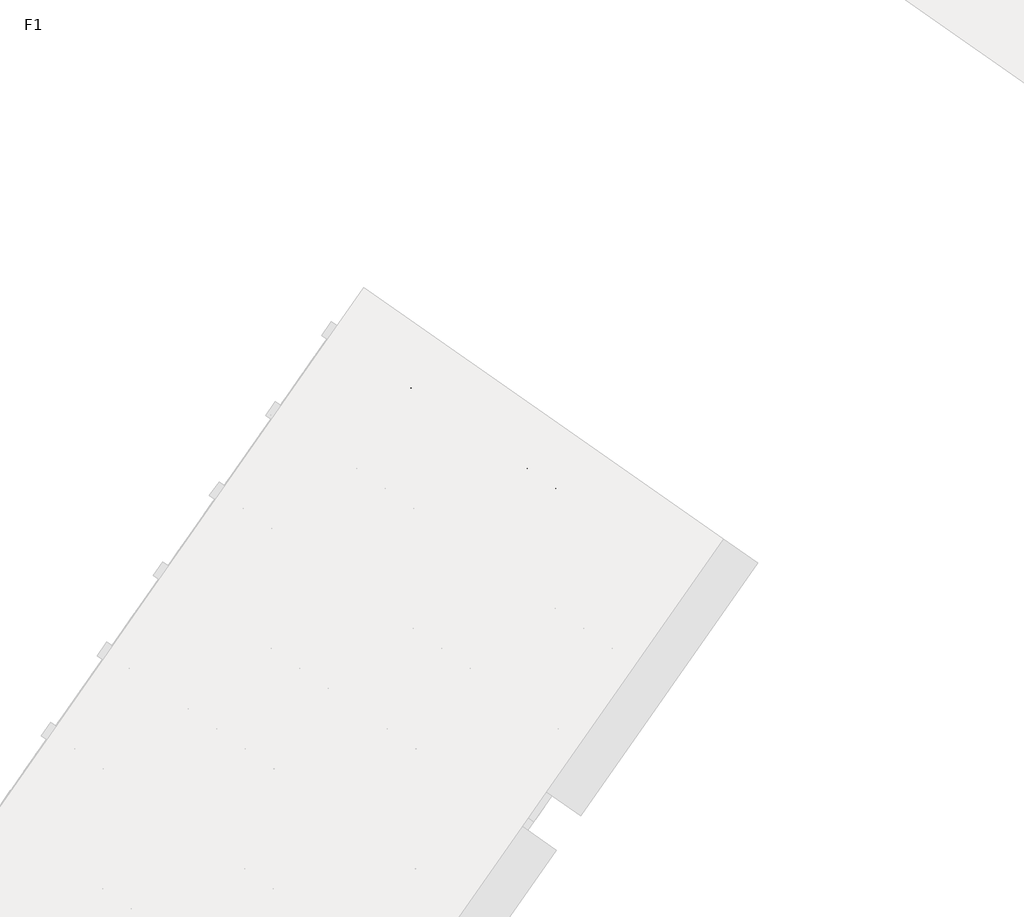
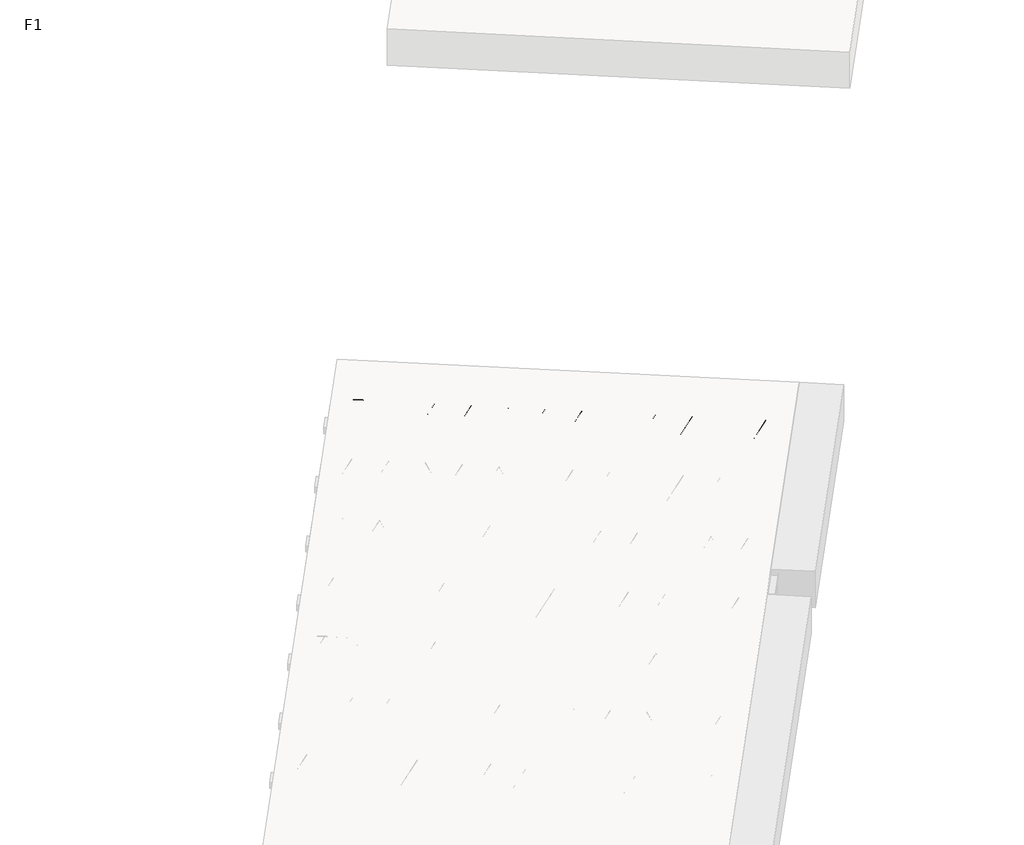
# One storey, part 17 of 30: 1 beam.
"""IFC4 building model written with IfcOpenShell, lengths in millimetres."""

from ifc_helpers import new_model, si_unit, point, frame, origin, origin_2d, place, context, project, spatial, circle_curve, trimmed, segment, composite_curve, outline, extrude, element, save

model = new_model("IFC4")

# Units and contexts
model_context = context("Model", 3, world=origin())
ifc_project = project(units=[si_unit("LENGTHUNIT", "METRE", prefix="MILLI")], contexts=[model_context])

# Site, building, storey
site = spatial("IfcSite", under=ifc_project)
building = spatial("IfcBuilding", under=site)
storey = spatial("IfcBuildingStorey", under=building, Name="F1", Elevation=99520.0)

# Beam
placement = place(None, origin())
element("IfcBeam", 1, at=placement, inside=storey, context=model_context, shape_type="SweptSolid", body=[
    extrude(outline(composite_curve([segment(trimmed(circle_curve(origin_2d(), 2.5), [point((-2.5, 0.0))], [point((2.5, 0.0))], False, "CARTESIAN"), True, "CONTINUOUS"), segment(trimmed(circle_curve(origin_2d(), 2.5), [point((2.5, 0.0))], [point((-2.5, 0.0))], False, "CARTESIAN"), True, "CONTINUOUS")], self_intersect=False)), frame((10281.1914907, -1077.6594907, 99745.0), z_axis=(-0.8191520442696126, 0.5735764363787226, 0.0), x_axis=(0.5735764363787226, 0.8191520442696126, 0.0)), (0.0, 0.0, 1.0), 3192.0),
    extrude(outline(composite_curve([segment(trimmed(circle_curve(origin_2d(), 2.5), [point((-2.5, 0.0))], [point((2.5, 0.0))], False, "CARTESIAN"), True, "CONTINUOUS"), segment(trimmed(circle_curve(origin_2d(), 2.5), [point((2.5, 0.0))], [point((-2.5, 0.0))], False, "CARTESIAN"), True, "CONTINUOUS")], self_intersect=False)), frame((10161.7652428, -950.0884465, 99970.0), z_axis=(-0.8191520442696126, 0.5735764363787226, 0.0), x_axis=(0.5735764363787226, 0.8191520442696126, 0.0)), (0.0, 0.0, 1.0), 2850.0),
    extrude(outline(composite_curve([segment(trimmed(circle_curve(origin_2d(), 2.5), [point((-2.5, 0.0))], [point((2.5, 0.0))], False, "CARTESIAN"), True, "CONTINUOUS"), segment(trimmed(circle_curve(origin_2d(), 2.5), [point((2.5, 0.0))], [point((-2.5, 0.0))], False, "CARTESIAN"), True, "CONTINUOUS")], self_intersect=False)), frame((10202.5528944, -1022.5961528, 99745.0), z_axis=(-0.3145304735701046, 0.38933448886848654, 0.8657304643902053), x_axis=(0.7778747638402499, 0.6284193279813057, 0.0)), (0.0, 0.0, 1.0), 259.8961331),
    extrude(outline(composite_curve([segment(trimmed(circle_curve(origin_2d(), 2.5), [point((2.5, -1e-07))], [point((-2.5, 0.0))], False, "CARTESIAN"), True, "CONTINUOUS"), segment(trimmed(circle_curve(origin_2d(), 2.5), [point((-2.5, 0.0))], [point((2.5, -1e-07))], False, "CARTESIAN"), True, "CONTINUOUS")], self_intersect=False)), frame((9997.7648834, -879.2020437, 99745.0), z_axis=(0.47343050384693375, -0.16240172737369005, 0.8657304643902051), x_axis=(-0.3244721671091268, -0.9458952440791246, 0.0)), (0.0, 0.0, 1.0), 259.8961331),
    extrude(outline(composite_curve([segment(trimmed(circle_curve(origin_2d(), 2.5), [point((-2.5, -1e-07))], [point((2.5, 0.0))], False, "CARTESIAN"), True, "CONTINUOUS"), segment(trimmed(circle_curve(origin_2d(), 2.5), [point((2.5, 0.0))], [point((-2.5, -1e-07))], False, "CARTESIAN"), True, "CONTINUOUS")], self_intersect=False)), frame((9997.7648834, -879.2020437, 99745.0), z_axis=(-0.3145304735701046, 0.38933448886848654, 0.8657304643902053), x_axis=(0.7778747638402499, 0.6284193279813057, 0.0)), (0.0, 0.0, 1.0), 259.8961331),
    extrude(outline(composite_curve([segment(trimmed(circle_curve(origin_2d(), 2.5), [point((2.5, 0.0))], [point((-2.5, 0.0))], False, "CARTESIAN"), True, "CONTINUOUS"), segment(trimmed(circle_curve(origin_2d(), 2.5), [point((-2.5, 0.0))], [point((2.5, 0.0))], False, "CARTESIAN"), True, "CONTINUOUS")], self_intersect=False)), frame((9792.9768723, -735.8079346, 99745.0), z_axis=(0.47343050384693375, -0.16240172737369005, 0.8657304643902051), x_axis=(-0.3244721671091268, -0.9458952440791246, 0.0)), (0.0, 0.0, 1.0), 259.8961331),
    extrude(outline(composite_curve([segment(trimmed(circle_curve(origin_2d(), 2.5), [point((-2.5, -1e-07))], [point((2.5, 0.0))], False, "CARTESIAN"), True, "CONTINUOUS"), segment(trimmed(circle_curve(origin_2d(), 2.5), [point((2.5, 0.0))], [point((-2.5, -1e-07))], False, "CARTESIAN"), True, "CONTINUOUS")], self_intersect=False)), frame((9792.9768723, -735.8079346, 99745.0), z_axis=(-0.3145304735701046, 0.38933448886848654, 0.8657304643902053), x_axis=(0.7778747638402499, 0.6284193279813057, 0.0)), (0.0, 0.0, 1.0), 259.8961331),
    extrude(outline(composite_curve([segment(trimmed(circle_curve(origin_2d(), 2.5), [point((2.5000001, 0.0))], [point((-2.5, 0.0))], False, "CARTESIAN"), True, "CONTINUOUS"), segment(trimmed(circle_curve(origin_2d(), 2.5), [point((-2.5, 0.0))], [point((2.5000001, 0.0))], False, "CARTESIAN"), True, "CONTINUOUS")], self_intersect=False)), frame((9588.1888612, -592.4138255, 99745.0), z_axis=(0.47343050384693375, -0.16240172737369005, 0.8657304643902051), x_axis=(-0.3244721671091268, -0.9458952440791246, 0.0)), (0.0, 0.0, 1.0), 259.8961331),
    extrude(outline(composite_curve([segment(trimmed(circle_curve(origin_2d(), 2.5), [point((-2.5, -1e-07))], [point((2.5, 0.0))], False, "CARTESIAN"), True, "CONTINUOUS"), segment(trimmed(circle_curve(origin_2d(), 2.5), [point((2.5, 0.0))], [point((-2.5, -1e-07))], False, "CARTESIAN"), True, "CONTINUOUS")], self_intersect=False)), frame((9588.1888612, -592.4138255, 99745.0), z_axis=(-0.3145304735701046, 0.38933448886848654, 0.8657304643902053), x_axis=(0.7778747638402499, 0.6284193279813057, 0.0)), (0.0, 0.0, 1.0), 259.8961331),
    extrude(outline(composite_curve([segment(trimmed(circle_curve(origin_2d(), 2.5), [point((2.5000001, 0.0))], [point((-2.5, 0.0))], False, "CARTESIAN"), True, "CONTINUOUS"), segment(trimmed(circle_curve(origin_2d(), 2.5), [point((-2.5, 0.0))], [point((2.5000001, 0.0))], False, "CARTESIAN"), True, "CONTINUOUS")], self_intersect=False)), frame((9383.4008502, -449.0197164, 99745.0), z_axis=(0.47343050384693375, -0.16240172737369005, 0.8657304643902051), x_axis=(-0.3244721671091268, -0.9458952440791246, 0.0)), (0.0, 0.0, 1.0), 259.8961331),
    extrude(outline(composite_curve([segment(trimmed(circle_curve(origin_2d(), 2.5), [point((-2.5, -1e-07))], [point((2.5, 0.0))], False, "CARTESIAN"), True, "CONTINUOUS"), segment(trimmed(circle_curve(origin_2d(), 2.5), [point((2.5, 0.0))], [point((-2.5, -1e-07))], False, "CARTESIAN"), True, "CONTINUOUS")], self_intersect=False)), frame((9383.4008502, -449.0197164, 99745.0), z_axis=(-0.3145304735701046, 0.38933448886848654, 0.8657304643902053), x_axis=(0.7778747638402499, 0.6284193279813057, 0.0)), (0.0, 0.0, 1.0), 259.8961331),
    extrude(outline(composite_curve([segment(trimmed(circle_curve(origin_2d(), 2.5), [point((2.5, 0.0))], [point((-2.5000001, 0.0))], False, "CARTESIAN"), True, "CONTINUOUS"), segment(trimmed(circle_curve(origin_2d(), 2.5), [point((-2.5000001, 0.0))], [point((2.5, 0.0))], False, "CARTESIAN"), True, "CONTINUOUS")], self_intersect=False)), frame((9178.6128391, -305.6256074, 99745.0), z_axis=(0.47343050384693375, -0.16240172737369005, 0.8657304643902051), x_axis=(-0.3244721671091268, -0.9458952440791246, 0.0)), (0.0, 0.0, 1.0), 259.8961331),
    extrude(outline(composite_curve([segment(trimmed(circle_curve(origin_2d(), 2.5), [point((-2.5, 0.0))], [point((2.5, 1e-07))], False, "CARTESIAN"), True, "CONTINUOUS"), segment(trimmed(circle_curve(origin_2d(), 2.5), [point((2.5, 1e-07))], [point((-2.5, 0.0))], False, "CARTESIAN"), True, "CONTINUOUS")], self_intersect=False)), frame((9178.6128391, -305.6256074, 99745.0), z_axis=(-0.3145304735701046, 0.38933448886848654, 0.8657304643902053), x_axis=(0.7778747638402499, 0.6284193279813057, 0.0)), (0.0, 0.0, 1.0), 259.8961331),
    extrude(outline(composite_curve([segment(trimmed(circle_curve(origin_2d(), 2.5), [point((2.5, 0.0))], [point((-2.5000001, 0.0))], False, "CARTESIAN"), True, "CONTINUOUS"), segment(trimmed(circle_curve(origin_2d(), 2.5), [point((-2.5000001, 0.0))], [point((2.5, 0.0))], False, "CARTESIAN"), True, "CONTINUOUS")], self_intersect=False)), frame((8973.824828, -162.2314983, 99745.0), z_axis=(0.47343050384693375, -0.16240172737369005, 0.8657304643902051), x_axis=(-0.3244721671091268, -0.9458952440791246, 0.0)), (0.0, 0.0, 1.0), 259.8961331),
    extrude(outline(composite_curve([segment(trimmed(circle_curve(origin_2d(), 2.5), [point((-2.5, 0.0))], [point((2.5, 1e-07))], False, "CARTESIAN"), True, "CONTINUOUS"), segment(trimmed(circle_curve(origin_2d(), 2.5), [point((2.5, 1e-07))], [point((-2.5, 0.0))], False, "CARTESIAN"), True, "CONTINUOUS")], self_intersect=False)), frame((8973.824828, -162.2314983, 99745.0), z_axis=(-0.3145304735701046, 0.38933448886848654, 0.8657304643902053), x_axis=(0.7778747638402499, 0.6284193279813057, 0.0)), (0.0, 0.0, 1.0), 259.8961331),
    extrude(outline(composite_curve([segment(trimmed(circle_curve(origin_2d(), 2.5), [point((2.5, -1e-07))], [point((-2.5, 0.0))], False, "CARTESIAN"), True, "CONTINUOUS"), segment(trimmed(circle_curve(origin_2d(), 2.5), [point((-2.5, 0.0))], [point((2.5, -1e-07))], False, "CARTESIAN"), True, "CONTINUOUS")], self_intersect=False)), frame((8769.036817, -18.8373892, 99745.0), z_axis=(0.47343050384693375, -0.16240172737369005, 0.8657304643902051), x_axis=(-0.3244721671091268, -0.9458952440791246, 0.0)), (0.0, 0.0, 1.0), 259.8961331),
    extrude(outline(composite_curve([segment(trimmed(circle_curve(origin_2d(), 2.5), [point((-2.5, 0.0))], [point((2.5, 1e-07))], False, "CARTESIAN"), True, "CONTINUOUS"), segment(trimmed(circle_curve(origin_2d(), 2.5), [point((2.5, 1e-07))], [point((-2.5, 0.0))], False, "CARTESIAN"), True, "CONTINUOUS")], self_intersect=False)), frame((8769.036817, -18.8373892, 99745.0), z_axis=(-0.3145304735701046, 0.38933448886848654, 0.8657304643902053), x_axis=(0.7778747638402499, 0.6284193279813057, 0.0)), (0.0, 0.0, 1.0), 259.8961331),
    extrude(outline(composite_curve([segment(trimmed(circle_curve(origin_2d(), 2.5), [point((2.5, 0.0))], [point((-2.5, 0.0))], False, "CARTESIAN"), True, "CONTINUOUS"), segment(trimmed(circle_curve(origin_2d(), 2.5), [point((-2.5, 0.0))], [point((2.5, 0.0))], False, "CARTESIAN"), True, "CONTINUOUS")], self_intersect=False)), frame((8564.2488059, 124.5567199, 99745.0), z_axis=(0.47343050384693375, -0.16240172737369005, 0.8657304643902051), x_axis=(-0.3244721671091268, -0.9458952440791246, 0.0)), (0.0, 0.0, 1.0), 259.8961331),
    extrude(outline(composite_curve([segment(trimmed(circle_curve(origin_2d(), 2.5), [point((-2.5, 0.0))], [point((2.5, 1e-07))], False, "CARTESIAN"), True, "CONTINUOUS"), segment(trimmed(circle_curve(origin_2d(), 2.5), [point((2.5, 1e-07))], [point((-2.5, 0.0))], False, "CARTESIAN"), True, "CONTINUOUS")], self_intersect=False)), frame((8564.2488059, 124.5567199, 99745.0), z_axis=(-0.3145304735701046, 0.38933448886848654, 0.8657304643902053), x_axis=(0.7778747638402499, 0.6284193279813057, 0.0)), (0.0, 0.0, 1.0), 259.8961331),
    extrude(outline(composite_curve([segment(trimmed(circle_curve(origin_2d(), 2.5), [point((2.5, 0.0))], [point((-2.5, 0.0))], False, "CARTESIAN"), True, "CONTINUOUS"), segment(trimmed(circle_curve(origin_2d(), 2.5), [point((-2.5, 0.0))], [point((2.5, 0.0))], False, "CARTESIAN"), True, "CONTINUOUS")], self_intersect=False)), frame((8359.4607948, 267.950829, 99745.0), z_axis=(0.47343050384693375, -0.16240172737369005, 0.8657304643902051), x_axis=(-0.3244721671091268, -0.9458952440791246, 0.0)), (0.0, 0.0, 1.0), 259.8961331),
    extrude(outline(composite_curve([segment(trimmed(circle_curve(origin_2d(), 2.5), [point((-2.5, 0.0))], [point((2.5, 0.0))], False, "CARTESIAN"), True, "CONTINUOUS"), segment(trimmed(circle_curve(origin_2d(), 2.5), [point((2.5, 0.0))], [point((-2.5, 0.0))], False, "CARTESIAN"), True, "CONTINUOUS")], self_intersect=False)), frame((8359.4607948, 267.950829, 99745.0), z_axis=(-0.3145304735701046, 0.38933448886848654, 0.8657304643902053), x_axis=(0.7778747638402499, 0.6284193279813057, 0.0)), (0.0, 0.0, 1.0), 259.8961331),
    extrude(outline(composite_curve([segment(trimmed(circle_curve(origin_2d(), 2.5), [point((2.5, -1e-07))], [point((-2.5, 0.0))], False, "CARTESIAN"), True, "CONTINUOUS"), segment(trimmed(circle_curve(origin_2d(), 2.5), [point((-2.5, 0.0))], [point((2.5, -1e-07))], False, "CARTESIAN"), True, "CONTINUOUS")], self_intersect=False)), frame((8154.6727838, 411.3449381, 99745.0), z_axis=(0.47343050384693375, -0.16240172737369005, 0.8657304643902051), x_axis=(-0.3244721671091268, -0.9458952440791246, 0.0)), (0.0, 0.0, 1.0), 259.8961331),
    extrude(outline(composite_curve([segment(trimmed(circle_curve(origin_2d(), 2.5), [point((-2.5000001, 1e-07))], [point((2.5, 0.0))], False, "CARTESIAN"), True, "CONTINUOUS"), segment(trimmed(circle_curve(origin_2d(), 2.5), [point((2.5, 0.0))], [point((-2.5000001, 1e-07))], False, "CARTESIAN"), True, "CONTINUOUS")], self_intersect=False)), frame((8154.6727838, 411.3449381, 99745.0), z_axis=(-0.3145304735701046, 0.38933448886848654, 0.8657304643902053), x_axis=(0.7778747638402499, 0.6284193279813057, 0.0)), (0.0, 0.0, 1.0), 259.8961331),
    extrude(outline(composite_curve([segment(trimmed(circle_curve(origin_2d(), 2.5), [point((2.5, 0.0))], [point((-2.5, 0.0))], False, "CARTESIAN"), True, "CONTINUOUS"), segment(trimmed(circle_curve(origin_2d(), 2.5), [point((-2.5, 0.0))], [point((2.5, 0.0))], False, "CARTESIAN"), True, "CONTINUOUS")], self_intersect=False)), frame((7949.8847727, 554.7390472, 99745.0), z_axis=(0.47343050384693375, -0.16240172737369005, 0.8657304643902051), x_axis=(-0.3244721671091268, -0.9458952440791246, 0.0)), (0.0, 0.0, 1.0), 259.8961331),
    extrude(outline(composite_curve([segment(trimmed(circle_curve(origin_2d(), 2.5), [point((-2.5, 0.0))], [point((2.5, 0.0))], False, "CARTESIAN"), True, "CONTINUOUS"), segment(trimmed(circle_curve(origin_2d(), 2.5), [point((2.5, 0.0))], [point((-2.5, 0.0))], False, "CARTESIAN"), True, "CONTINUOUS")], self_intersect=False)), frame((7949.8847727, 554.7390472, 99745.0), z_axis=(-0.3145304735701046, 0.38933448886848654, 0.8657304643902053), x_axis=(0.7778747638402499, 0.6284193279813057, 0.0)), (0.0, 0.0, 1.0), 259.8961331),
    extrude(outline(composite_curve([segment(trimmed(circle_curve(origin_2d(), 2.5), [point((2.5, 0.0))], [point((-2.5, 0.0))], False, "CARTESIAN"), True, "CONTINUOUS"), segment(trimmed(circle_curve(origin_2d(), 2.5), [point((-2.5, 0.0))], [point((2.5, 0.0))], False, "CARTESIAN"), True, "CONTINUOUS")], self_intersect=False)), frame((7745.0967616, 698.1331563, 99745.0), z_axis=(0.47343050384693375, -0.16240172737369005, 0.8657304643902051), x_axis=(-0.3244721671091268, -0.9458952440791246, 0.0)), (0.0, 0.0, 1.0), 259.8961331),
    extrude(outline(composite_curve([segment(trimmed(circle_curve(origin_2d(), 2.5), [point((-2.5, 0.0))], [point((2.5, 0.0))], False, "CARTESIAN"), True, "CONTINUOUS"), segment(trimmed(circle_curve(origin_2d(), 2.5), [point((2.5, 0.0))], [point((-2.5, 0.0))], False, "CARTESIAN"), True, "CONTINUOUS")], self_intersect=False)), frame((10322.4889941, -1018.6805435, 99745.0), z_axis=(-0.8191520442696126, 0.5735764363787226, 0.0), x_axis=(0.5735764363787226, 0.8191520442696126, 0.0)), (0.0, 0.0, 1.0), 3192.0),
    extrude(outline(composite_curve([segment(trimmed(circle_curve(origin_2d(), 2.5), [point((-2.5000001, 0.0))], [point((2.5, 0.0))], False, "CARTESIAN"), True, "CONTINUOUS"), segment(trimmed(circle_curve(origin_2d(), 2.5), [point((2.5, 0.0))], [point((-2.5000001, 0.0))], False, "CARTESIAN"), True, "CONTINUOUS")], self_intersect=False)), frame((10243.8503979, -963.6172056, 99745.0), z_axis=(-0.47343050384693375, 0.16240172737369005, 0.8657304643902051), x_axis=(0.3244721671091268, 0.9458952440791246, 0.0)), (0.0, 0.0, 1.0), 259.8961331),
    extrude(outline(composite_curve([segment(trimmed(circle_curve(origin_2d(), 2.5), [point((2.5, 1e-07))], [point((-2.5, 0.0))], False, "CARTESIAN"), True, "CONTINUOUS"), segment(trimmed(circle_curve(origin_2d(), 2.5), [point((-2.5, 0.0))], [point((2.5, 1e-07))], False, "CARTESIAN"), True, "CONTINUOUS")], self_intersect=False)), frame((10039.0623868, -820.2230965, 99745.0), z_axis=(0.3145304735701046, -0.38933448886848654, 0.8657304643902053), x_axis=(-0.7778747638402499, -0.6284193279813057, 0.0)), (0.0, 0.0, 1.0), 259.8961331),
    extrude(outline(composite_curve([segment(trimmed(circle_curve(origin_2d(), 2.5), [point((-2.5000001, 0.0))], [point((2.5, 0.0))], False, "CARTESIAN"), True, "CONTINUOUS"), segment(trimmed(circle_curve(origin_2d(), 2.5), [point((2.5, 0.0))], [point((-2.5000001, 0.0))], False, "CARTESIAN"), True, "CONTINUOUS")], self_intersect=False)), frame((10039.0623868, -820.2230965, 99745.0), z_axis=(-0.47343050384693375, 0.16240172737369005, 0.8657304643902051), x_axis=(0.3244721671091268, 0.9458952440791246, 0.0)), (0.0, 0.0, 1.0), 259.8961331),
    extrude(outline(composite_curve([segment(trimmed(circle_curve(origin_2d(), 2.5), [point((2.5, 0.0))], [point((-2.5, -1e-07))], False, "CARTESIAN"), True, "CONTINUOUS"), segment(trimmed(circle_curve(origin_2d(), 2.5), [point((-2.5, -1e-07))], [point((2.5, 0.0))], False, "CARTESIAN"), True, "CONTINUOUS")], self_intersect=False)), frame((9834.2743757, -676.8289875, 99745.0), z_axis=(0.3145304735701046, -0.38933448886848654, 0.8657304643902053), x_axis=(-0.7778747638402499, -0.6284193279813057, 0.0)), (0.0, 0.0, 1.0), 259.8961331),
    extrude(outline(composite_curve([segment(trimmed(circle_curve(origin_2d(), 2.5), [point((-2.5, 0.0))], [point((2.5000001, 0.0))], False, "CARTESIAN"), True, "CONTINUOUS"), segment(trimmed(circle_curve(origin_2d(), 2.5), [point((2.5000001, 0.0))], [point((-2.5, 0.0))], False, "CARTESIAN"), True, "CONTINUOUS")], self_intersect=False)), frame((9834.2743757, -676.8289875, 99745.0), z_axis=(-0.47343050384693375, 0.16240172737369005, 0.8657304643902051), x_axis=(0.3244721671091268, 0.9458952440791246, 0.0)), (0.0, 0.0, 1.0), 259.8961331),
    extrude(outline(composite_curve([segment(trimmed(circle_curve(origin_2d(), 2.5), [point((2.5, 0.0))], [point((-2.5000001, 0.0))], False, "CARTESIAN"), True, "CONTINUOUS"), segment(trimmed(circle_curve(origin_2d(), 2.5), [point((-2.5000001, 0.0))], [point((2.5, 0.0))], False, "CARTESIAN"), True, "CONTINUOUS")], self_intersect=False)), frame((9629.4863646, -533.4348784, 99745.0), z_axis=(0.3145304735701046, -0.38933448886848654, 0.8657304643902053), x_axis=(-0.7778747638402499, -0.6284193279813057, 0.0)), (0.0, 0.0, 1.0), 259.8961331),
    extrude(outline(composite_curve([segment(trimmed(circle_curve(origin_2d(), 2.5), [point((-2.5, 0.0))], [point((2.5000001, 0.0))], False, "CARTESIAN"), True, "CONTINUOUS"), segment(trimmed(circle_curve(origin_2d(), 2.5), [point((2.5000001, 0.0))], [point((-2.5, 0.0))], False, "CARTESIAN"), True, "CONTINUOUS")], self_intersect=False)), frame((9629.4863646, -533.4348784, 99745.0), z_axis=(-0.47343050384693375, 0.16240172737369005, 0.8657304643902051), x_axis=(0.3244721671091268, 0.9458952440791246, 0.0)), (0.0, 0.0, 1.0), 259.8961331),
    extrude(outline(composite_curve([segment(trimmed(circle_curve(origin_2d(), 2.5), [point((2.5, 0.0))], [point((-2.5, -1e-07))], False, "CARTESIAN"), True, "CONTINUOUS"), segment(trimmed(circle_curve(origin_2d(), 2.5), [point((-2.5, -1e-07))], [point((2.5, 0.0))], False, "CARTESIAN"), True, "CONTINUOUS")], self_intersect=False)), frame((9424.6983536, -390.0407693, 99745.0), z_axis=(0.3145304735701046, -0.38933448886848654, 0.8657304643902053), x_axis=(-0.7778747638402499, -0.6284193279813057, 0.0)), (0.0, 0.0, 1.0), 259.8961331),
    extrude(outline(composite_curve([segment(trimmed(circle_curve(origin_2d(), 2.5), [point((-2.5, 0.0))], [point((2.5, 0.0))], False, "CARTESIAN"), True, "CONTINUOUS"), segment(trimmed(circle_curve(origin_2d(), 2.5), [point((2.5, 0.0))], [point((-2.5, 0.0))], False, "CARTESIAN"), True, "CONTINUOUS")], self_intersect=False)), frame((9424.6983536, -390.0407693, 99745.0), z_axis=(-0.47343050384693375, 0.16240172737369005, 0.8657304643902051), x_axis=(0.3244721671091268, 0.9458952440791246, 0.0)), (0.0, 0.0, 1.0), 259.8961331),
    extrude(outline(composite_curve([segment(trimmed(circle_curve(origin_2d(), 2.5), [point((2.5, 0.0))], [point((-2.5, -1e-07))], False, "CARTESIAN"), True, "CONTINUOUS"), segment(trimmed(circle_curve(origin_2d(), 2.5), [point((-2.5, -1e-07))], [point((2.5, 0.0))], False, "CARTESIAN"), True, "CONTINUOUS")], self_intersect=False)), frame((9219.9103425, -246.6466602, 99745.0), z_axis=(0.3145304735701046, -0.38933448886848654, 0.8657304643902053), x_axis=(-0.7778747638402499, -0.6284193279813057, 0.0)), (0.0, 0.0, 1.0), 259.8961331),
    extrude(outline(composite_curve([segment(trimmed(circle_curve(origin_2d(), 2.5), [point((-2.5, 0.0))], [point((2.5, 0.0))], False, "CARTESIAN"), True, "CONTINUOUS"), segment(trimmed(circle_curve(origin_2d(), 2.5), [point((2.5, 0.0))], [point((-2.5, 0.0))], False, "CARTESIAN"), True, "CONTINUOUS")], self_intersect=False)), frame((9219.9103425, -246.6466602, 99745.0), z_axis=(-0.47343050384693375, 0.16240172737369005, 0.8657304643902051), x_axis=(0.3244721671091268, 0.9458952440791246, 0.0)), (0.0, 0.0, 1.0), 259.8961331),
    extrude(outline(composite_curve([segment(trimmed(circle_curve(origin_2d(), 2.5), [point((2.5, 0.0))], [point((-2.5000001, 1e-07))], False, "CARTESIAN"), True, "CONTINUOUS"), segment(trimmed(circle_curve(origin_2d(), 2.5), [point((-2.5000001, 1e-07))], [point((2.5, 0.0))], False, "CARTESIAN"), True, "CONTINUOUS")], self_intersect=False)), frame((9015.1223314, -103.2525511, 99745.0), z_axis=(0.3145304735701046, -0.38933448886848654, 0.8657304643902053), x_axis=(-0.7778747638402499, -0.6284193279813057, 0.0)), (0.0, 0.0, 1.0), 259.8961331),
    extrude(outline(composite_curve([segment(trimmed(circle_curve(origin_2d(), 2.5), [point((-2.5, 0.0))], [point((2.5, -1e-07))], False, "CARTESIAN"), True, "CONTINUOUS"), segment(trimmed(circle_curve(origin_2d(), 2.5), [point((2.5, -1e-07))], [point((-2.5, 0.0))], False, "CARTESIAN"), True, "CONTINUOUS")], self_intersect=False)), frame((9015.1223314, -103.2525511, 99745.0), z_axis=(-0.47343050384693375, 0.16240172737369005, 0.8657304643902051), x_axis=(0.3244721671091268, 0.9458952440791246, 0.0)), (0.0, 0.0, 1.0), 259.8961331),
    extrude(outline(composite_curve([segment(trimmed(circle_curve(origin_2d(), 2.5), [point((2.5, 0.0))], [point((-2.5, 0.0))], False, "CARTESIAN"), True, "CONTINUOUS"), segment(trimmed(circle_curve(origin_2d(), 2.5), [point((-2.5, 0.0))], [point((2.5, 0.0))], False, "CARTESIAN"), True, "CONTINUOUS")], self_intersect=False)), frame((8810.3343204, 40.141558, 99745.0), z_axis=(0.3145304735701046, -0.38933448886848654, 0.8657304643902053), x_axis=(-0.7778747638402499, -0.6284193279813057, 0.0)), (0.0, 0.0, 1.0), 259.8961331),
    extrude(outline(composite_curve([segment(trimmed(circle_curve(origin_2d(), 2.5), [point((-2.5, 0.0))], [point((2.5, 0.0))], False, "CARTESIAN"), True, "CONTINUOUS"), segment(trimmed(circle_curve(origin_2d(), 2.5), [point((2.5, 0.0))], [point((-2.5, 0.0))], False, "CARTESIAN"), True, "CONTINUOUS")], self_intersect=False)), frame((8810.3343204, 40.141558, 99745.0), z_axis=(-0.47343050384693375, 0.16240172737369005, 0.8657304643902051), x_axis=(0.3244721671091268, 0.9458952440791246, 0.0)), (0.0, 0.0, 1.0), 259.8961331),
    extrude(outline(composite_curve([segment(trimmed(circle_curve(origin_2d(), 2.5), [point((2.5, 0.0))], [point((-2.5, 0.0))], False, "CARTESIAN"), True, "CONTINUOUS"), segment(trimmed(circle_curve(origin_2d(), 2.5), [point((-2.5, 0.0))], [point((2.5, 0.0))], False, "CARTESIAN"), True, "CONTINUOUS")], self_intersect=False)), frame((8605.5463093, 183.5356671, 99745.0), z_axis=(0.3145304735701046, -0.38933448886848654, 0.8657304643902053), x_axis=(-0.7778747638402499, -0.6284193279813057, 0.0)), (0.0, 0.0, 1.0), 259.8961331),
    extrude(outline(composite_curve([segment(trimmed(circle_curve(origin_2d(), 2.5), [point((-2.5, 0.0))], [point((2.5, 0.0))], False, "CARTESIAN"), True, "CONTINUOUS"), segment(trimmed(circle_curve(origin_2d(), 2.5), [point((2.5, 0.0))], [point((-2.5, 0.0))], False, "CARTESIAN"), True, "CONTINUOUS")], self_intersect=False)), frame((8605.5463093, 183.5356671, 99745.0), z_axis=(-0.47343050384693375, 0.16240172737369005, 0.8657304643902051), x_axis=(0.3244721671091268, 0.9458952440791246, 0.0)), (0.0, 0.0, 1.0), 259.8961331),
    extrude(outline(composite_curve([segment(trimmed(circle_curve(origin_2d(), 2.5), [point((2.5, 0.0))], [point((-2.5000001, 1e-07))], False, "CARTESIAN"), True, "CONTINUOUS"), segment(trimmed(circle_curve(origin_2d(), 2.5), [point((-2.5000001, 1e-07))], [point((2.5, 0.0))], False, "CARTESIAN"), True, "CONTINUOUS")], self_intersect=False)), frame((8400.7582982, 326.9297762, 99745.0), z_axis=(0.3145304735701046, -0.38933448886848654, 0.8657304643902053), x_axis=(-0.7778747638402499, -0.6284193279813057, 0.0)), (0.0, 0.0, 1.0), 259.8961331),
    extrude(outline(composite_curve([segment(trimmed(circle_curve(origin_2d(), 2.5), [point((-2.5, 0.0))], [point((2.5, -1e-07))], False, "CARTESIAN"), True, "CONTINUOUS"), segment(trimmed(circle_curve(origin_2d(), 2.5), [point((2.5, -1e-07))], [point((-2.5, 0.0))], False, "CARTESIAN"), True, "CONTINUOUS")], self_intersect=False)), frame((8400.7582982, 326.9297762, 99745.0), z_axis=(-0.47343050384693375, 0.16240172737369005, 0.8657304643902051), x_axis=(0.3244721671091268, 0.9458952440791246, 0.0)), (0.0, 0.0, 1.0), 259.8961331),
    extrude(outline(composite_curve([segment(trimmed(circle_curve(origin_2d(), 2.5), [point((2.5, 0.0))], [point((-2.5, 0.0))], False, "CARTESIAN"), True, "CONTINUOUS"), segment(trimmed(circle_curve(origin_2d(), 2.5), [point((-2.5, 0.0))], [point((2.5, 0.0))], False, "CARTESIAN"), True, "CONTINUOUS")], self_intersect=False)), frame((8195.9702872, 470.3238853, 99745.0), z_axis=(0.3145304735701046, -0.38933448886848654, 0.8657304643902053), x_axis=(-0.7778747638402499, -0.6284193279813057, 0.0)), (0.0, 0.0, 1.0), 259.8961331),
    extrude(outline(composite_curve([segment(trimmed(circle_curve(origin_2d(), 2.5), [point((-2.5, 0.0))], [point((2.5, 0.0))], False, "CARTESIAN"), True, "CONTINUOUS"), segment(trimmed(circle_curve(origin_2d(), 2.5), [point((2.5, 0.0))], [point((-2.5, 0.0))], False, "CARTESIAN"), True, "CONTINUOUS")], self_intersect=False)), frame((8195.9702872, 470.3238853, 99745.0), z_axis=(-0.47343050384693375, 0.16240172737369005, 0.8657304643902051), x_axis=(0.3244721671091268, 0.9458952440791246, 0.0)), (0.0, 0.0, 1.0), 259.8961331),
    extrude(outline(composite_curve([segment(trimmed(circle_curve(origin_2d(), 2.5), [point((2.5, 0.0))], [point((-2.5, 0.0))], False, "CARTESIAN"), True, "CONTINUOUS"), segment(trimmed(circle_curve(origin_2d(), 2.5), [point((-2.5, 0.0))], [point((2.5, 0.0))], False, "CARTESIAN"), True, "CONTINUOUS")], self_intersect=False)), frame((7991.1822761, 613.7179944, 99745.0), z_axis=(0.3145304735701046, -0.38933448886848654, 0.8657304643902053), x_axis=(-0.7778747638402499, -0.6284193279813057, 0.0)), (0.0, 0.0, 1.0), 259.8961331),
    extrude(outline(composite_curve([segment(trimmed(circle_curve(origin_2d(), 2.5), [point((-2.5, 0.0))], [point((2.5, 0.0))], False, "CARTESIAN"), True, "CONTINUOUS"), segment(trimmed(circle_curve(origin_2d(), 2.5), [point((2.5, 0.0))], [point((-2.5, 0.0))], False, "CARTESIAN"), True, "CONTINUOUS")], self_intersect=False)), frame((7991.1822761, 613.7179944, 99745.0), z_axis=(-0.47343050384693375, 0.16240172737369005, 0.8657304643902051), x_axis=(0.3244721671091268, 0.9458952440791246, 0.0)), (0.0, 0.0, 1.0), 259.8961331),
    extrude(outline(composite_curve([segment(trimmed(circle_curve(origin_2d(), 2.5), [point((2.5, 0.0))], [point((-2.5000001, 1e-07))], False, "CARTESIAN"), True, "CONTINUOUS"), segment(trimmed(circle_curve(origin_2d(), 2.5), [point((-2.5000001, 1e-07))], [point((2.5, 0.0))], False, "CARTESIAN"), True, "CONTINUOUS")], self_intersect=False)), frame((7786.394265, 757.1121035, 99745.0), z_axis=(0.3145304735701046, -0.38933448886848654, 0.8657304643902053), x_axis=(-0.7778747638402499, -0.6284193279813057, 0.0)), (0.0, 0.0, 1.0), 259.8961331),
])

save(model, "model.ifc")
